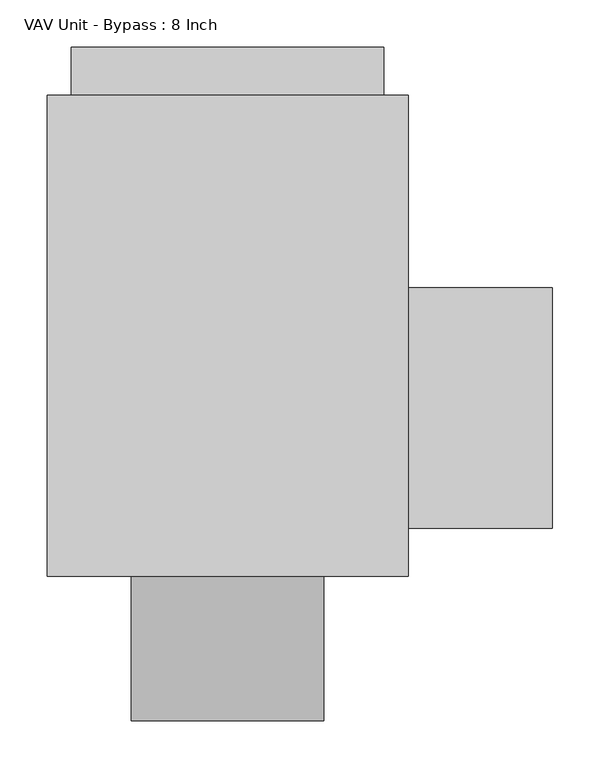
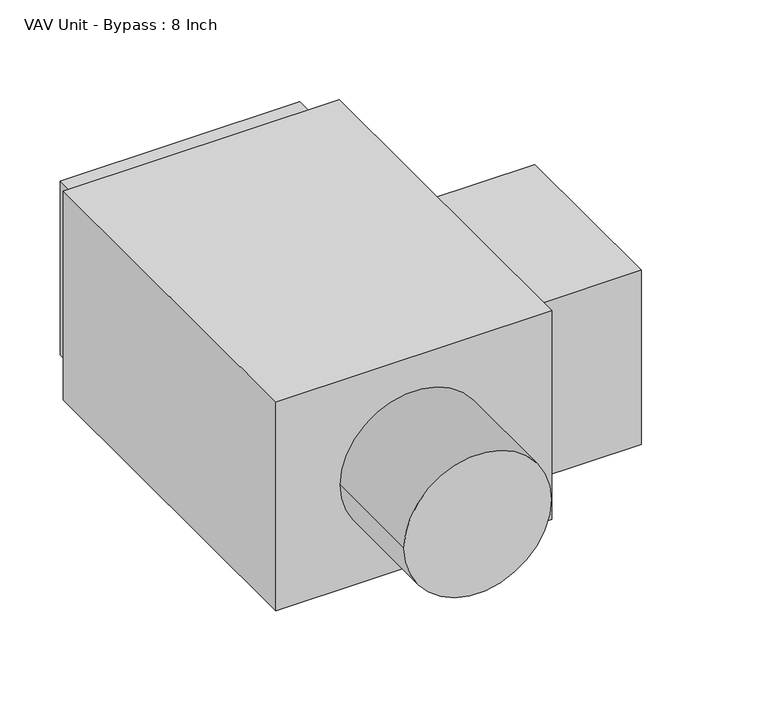
"""IFC4 building model written with IfcOpenShell, lengths in millimetres: proxy geometry, VAV Unit - Bypass : 8 Inch."""

from ifc_helpers import new_model, si_unit, point, frame, origin, origin_2d, place, context, project, spatial, polyline, circle_curve, trimmed, segment, composite_curve, outline, extrude, source, transform, mapped, element, save


def vav_unit_bypass_8_inch_455cfcdd(model_context):
    return source(origin(), model_context, "Body", "SweptSolid", [
        extrude(outline(polyline([(342.9, -203.2), (190.5, -203.2), (190.5, 50.8), (342.9, 50.8), (342.9, -203.2)])), frame((0.0, 0.0, -127.0), z_axis=(0.0, 0.0, 1.0), x_axis=(1.0, 0.0, 0.0)), (0.0, 0.0, 1.0), 254.0),
        extrude(outline(composite_curve([segment(trimmed(circle_curve(origin_2d(), 101.6), [point((0.0, -101.6))], [point((0.0, 101.6))], False, "CARTESIAN"), True, "CONTINUOUS"), segment(trimmed(circle_curve(origin_2d(), 101.6), [point((0.0, 101.6))], [point((0.0, -101.6))], False, "CARTESIAN"), True, "CONTINUOUS")], self_intersect=False)), frame((0.0, -406.4, 0.0), z_axis=(0.0, 1.0, 0.0), x_axis=(0.0, 0.0, 1.0)), (0.0, 0.0, 1.0), 152.4),
        extrude(outline(polyline([(165.1, 304.8), (165.1, 254.0), (-165.1, 254.0), (-165.1, 304.8), (165.1, 304.8)])), frame((0.0, 0.0, -127.0), z_axis=(0.0, 0.0, 1.0), x_axis=(1.0, 0.0, 0.0)), (0.0, 0.0, 1.0), 254.0),
        extrude(outline(polyline([(190.5, 254.0), (190.5, -254.0), (-190.5, -254.0), (-190.5, 254.0), (190.5, 254.0)])), frame((0.0, 0.0, -152.4), z_axis=(0.0, 0.0, 1.0), x_axis=(1.0, 0.0, 0.0)), (0.0, 0.0, 1.0), 304.8),
    ])


if __name__ == "__main__":
    model = new_model("IFC4")
    model_context = context("Model", 3, world=origin())
    ifc_project = project(units=[si_unit("LENGTHUNIT", "METRE", prefix="MILLI")], contexts=[model_context])
    site = spatial("IfcSite", under=ifc_project)
    building = spatial("IfcBuilding", under=site)
    placement = place(None, origin())
    vav_unit_bypass_8_inch_shape = vav_unit_bypass_8_inch_455cfcdd(model_context)
    element("IfcBuildingElementProxy", 1, Name="VAV Unit - Bypass : 8 Inch", ObjectType="VAV Unit - Bypass : 8 Inch", at=placement, inside=building, context=model_context, shape_type="MappedRepresentation", body=[
        mapped(vav_unit_bypass_8_inch_shape, transform((0.0, 0.0, 0.0), x_axis=(1.0, 0.0, 0.0), y_axis=(0.0, 1.0, 0.0), z_axis=(0.0, 0.0, 1.0))),
    ])
    save(model, "model.ifc")
